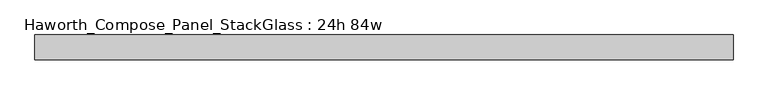
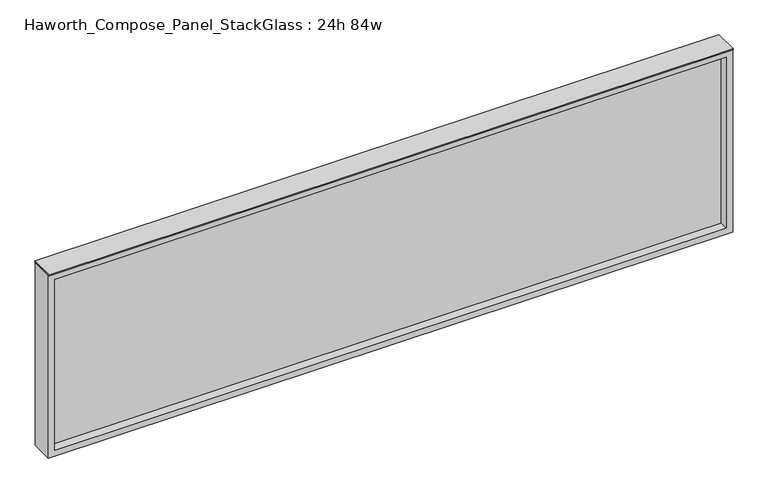
"""IFC4 building model written with IfcOpenShell, lengths in millimetres: furniture geometry, Haworth_Compose_Panel_StackGlass : 24h 84w."""

from ifc_helpers import new_model, si_unit, frame, origin, place, context, project, spatial, polyline, outline, extrude, source, transform, mapped, element, save


def haworth_compose_panel_stackglass_24h_84w_71d4a9a9(model_context):
    return source(origin(), model_context, "Body", "SweptSolid", [
        extrude(outline(polyline([(1050.1902902, -6.35), (-1045.3097098, -6.35), (-1045.3097098, 6.35), (1050.1902902, 6.35), (1050.1902902, -6.35)])), frame((0.0, 0.0, 1085.85), z_axis=(0.0, 0.0, 1.0), x_axis=(1.0, 0.0, 0.0)), (0.0, 0.0, 1.0), 565.15),
        extrude(outline(polyline([(1670.05, -1064.3597098), (1066.8, -1064.3597098), (1066.8, 1069.2402902), (1670.05, 1069.2402902), (1670.05, -1064.3597098)]), holes=[polyline([(1651.0, 1050.1902902), (1085.85, 1050.1902902), (1085.85, -1045.3097098), (1651.0, -1045.3097098), (1651.0, 1050.1902902)])]), frame((0.0, -34.925, 0.0), z_axis=(0.0, 1.0, 0.0), x_axis=(0.0, 0.0, 1.0)), (0.0, 0.0, 1.0), 69.85),
        extrude(outline(polyline([(-1064.3597098, -38.1), (-1064.3597098, 38.1), (1069.2402902, 38.1), (1069.2402902, -38.1), (-1064.3597098, -38.1)])), frame((0.0, 0.0, 1670.05), z_axis=(0.0, 0.0, 1.0), x_axis=(1.0, 0.0, 0.0)), (0.0, 0.0, 1.0), 3.175),
    ])


if __name__ == "__main__":
    model = new_model("IFC4")
    model_context = context("Model", 3, world=origin())
    ifc_project = project(units=[si_unit("LENGTHUNIT", "METRE", prefix="MILLI")], contexts=[model_context])
    site = spatial("IfcSite", under=ifc_project)
    building = spatial("IfcBuilding", under=site)
    placement = place(None, origin())
    haworth_compose_panel_stackglass_24h_84w_shape = haworth_compose_panel_stackglass_24h_84w_71d4a9a9(model_context)
    element("IfcFurniture", 1, ObjectType="Haworth_Compose_Panel_StackGlass : 24h 84w", at=placement, inside=building, context=model_context, shape_type="MappedRepresentation", body=[
        mapped(haworth_compose_panel_stackglass_24h_84w_shape, transform((0.0, 0.0, 0.0), x_axis=(1.0, 0.0, 0.0), y_axis=(0.0, 1.0, 0.0), z_axis=(0.0, 0.0, 1.0))),
    ])
    save(model, "model.ifc")
